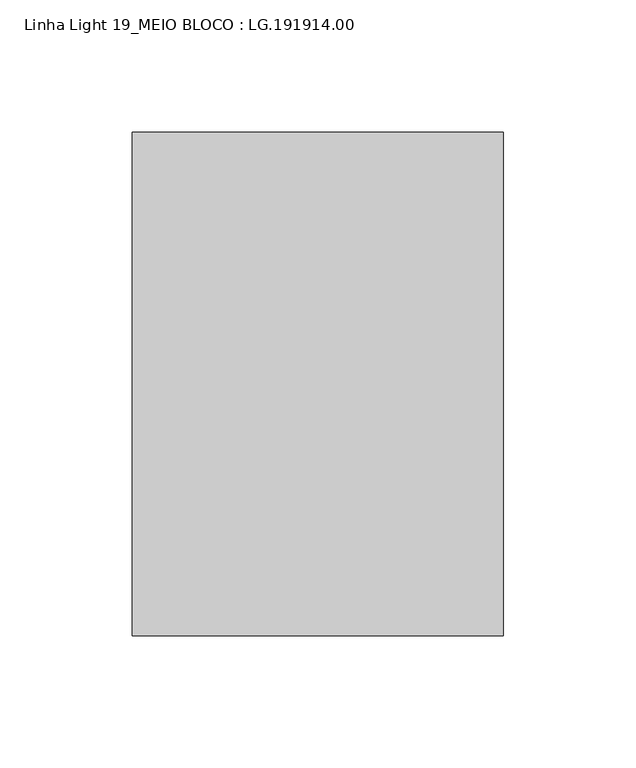
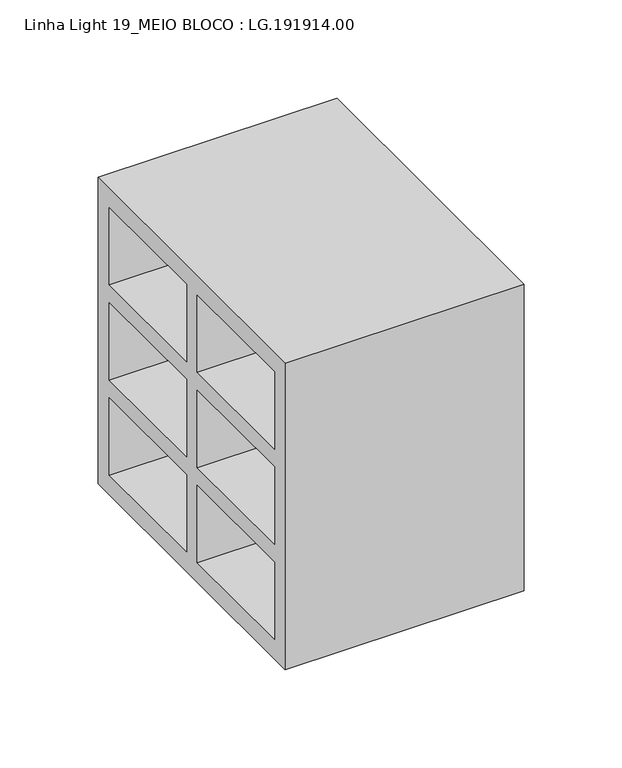
"""IFC4 building model written with IfcOpenShell, lengths in millimetres: proxy geometry, Linha Light 19_MEIO BLOCO : LG.191914.00."""

from ifc_helpers import new_model, si_unit, frame, origin, place, context, project, spatial, polyline, outline, extrude, source, transform, mapped, element, save


def linha_light_19_meio_bloco_lg_191914_00_4be11d7b(model_context):
    return source(origin(), model_context, "Body", "SweptSolid", [
        extrude(outline(polyline([(-95.0, 0.0), (-95.0, 190.0), (95.0, 190.0), (95.0, 0.0), (-95.0, 0.0)]), holes=[polyline([(5.5, 178.0), (5.5, 130.0), (84.0, 130.0), (84.0, 178.0), (5.5, 178.0)]), polyline([(-84.0, 178.0), (-84.0, 130.0), (-5.5, 130.0), (-5.5, 178.0), (-84.0, 178.0)]), polyline([(-5.5, 119.0), (-84.0, 119.0), (-84.0, 71.0), (-5.5, 71.0), (-5.5, 119.0)]), polyline([(84.0, 71.0), (84.0, 119.0), (5.5, 119.0), (5.5, 71.0), (84.0, 71.0)]), polyline([(84.0, 60.0), (5.5, 60.0), (5.5, 12.0), (84.0, 12.0), (84.0, 60.0)]), polyline([(-5.5, 60.0), (-84.0, 60.0), (-84.0, 12.0), (-5.5, 12.0), (-5.5, 60.0)])]), frame((5.0, 0.0, 0.0), z_axis=(1.0, 0.0, 0.0), x_axis=(0.0, 1.0, 0.0)), (0.0, 0.0, 1.0), 140.0),
    ])


if __name__ == "__main__":
    model = new_model("IFC4")
    model_context = context("Model", 3, world=origin())
    ifc_project = project(units=[si_unit("LENGTHUNIT", "METRE", prefix="MILLI")], contexts=[model_context])
    site = spatial("IfcSite", under=ifc_project)
    building = spatial("IfcBuilding", under=site)
    placement = place(None, origin())
    linha_light_19_meio_bloco_lg_191914_00_shape = linha_light_19_meio_bloco_lg_191914_00_4be11d7b(model_context)
    element("IfcBuildingElementProxy", 1, Name="Linha Light 19_MEIO BLOCO : LG.191914.00", ObjectType="Linha Light 19_MEIO BLOCO : LG.191914.00", at=placement, inside=building, context=model_context, shape_type="MappedRepresentation", body=[
        mapped(linha_light_19_meio_bloco_lg_191914_00_shape, transform((0.0, 0.0, 0.0), x_axis=(1.0, 0.0, 0.0), y_axis=(0.0, 1.0, 0.0), z_axis=(0.0, 0.0, 1.0))),
    ])
    save(model, "model.ifc")
